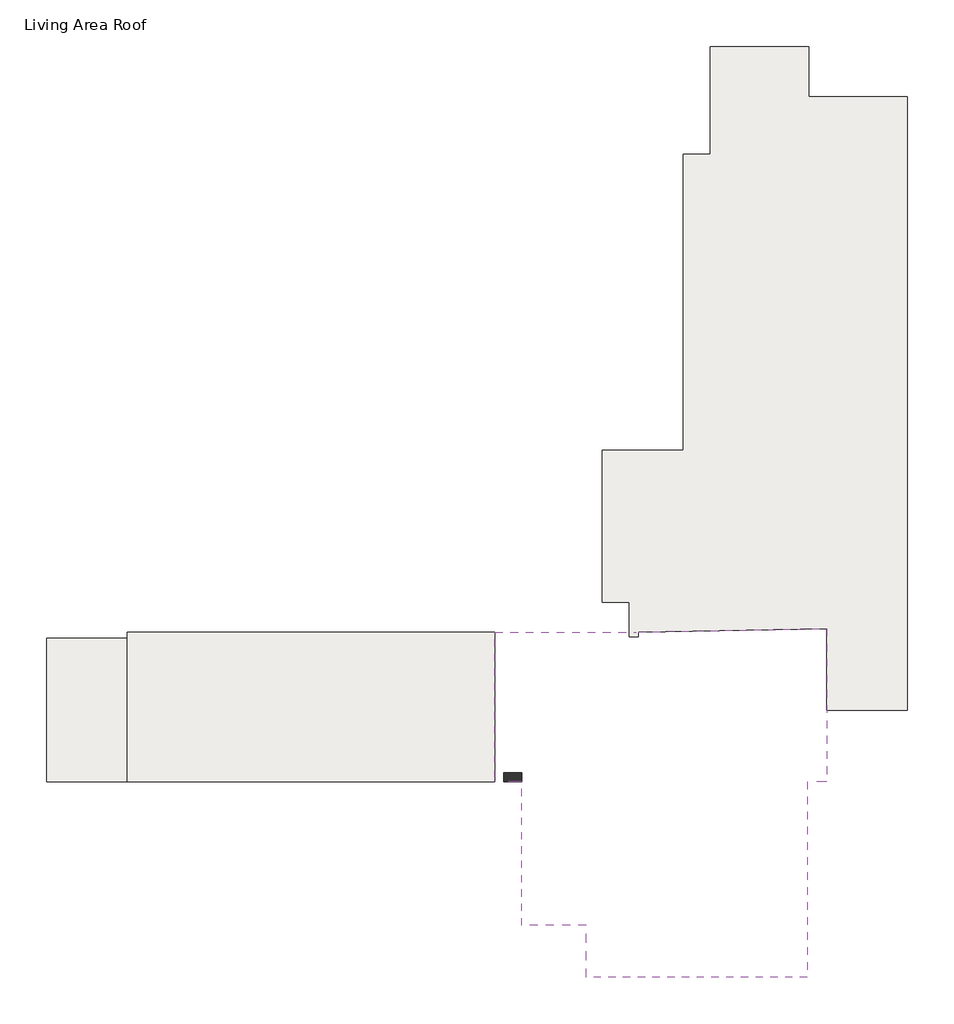
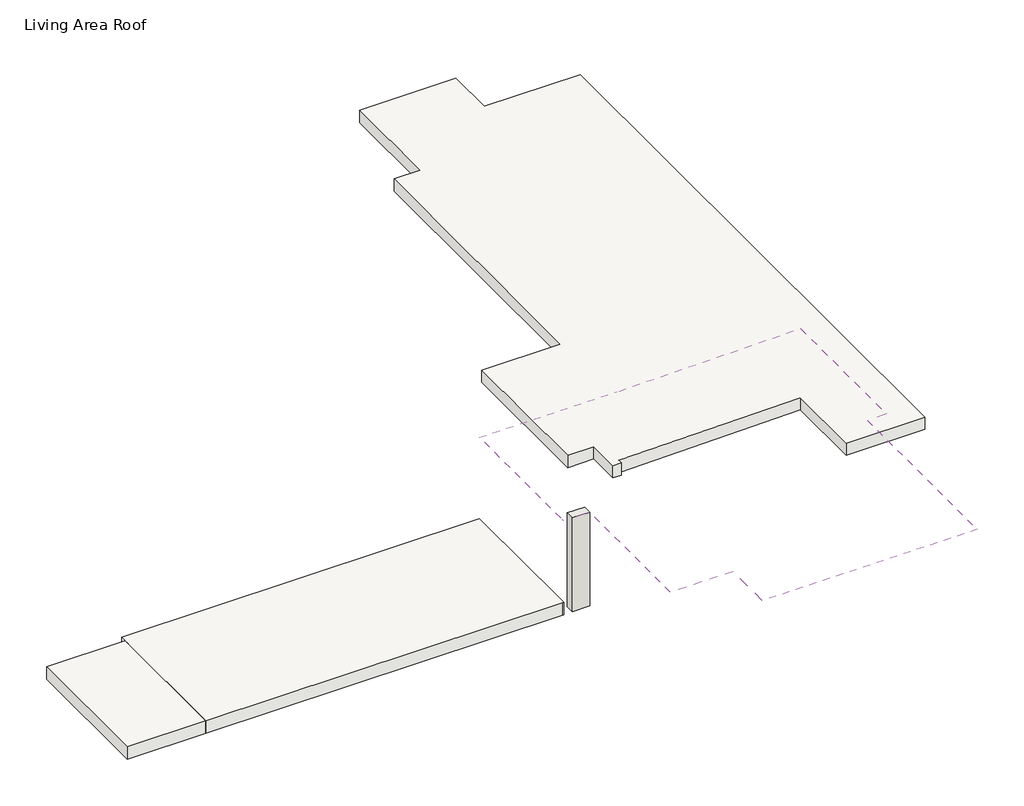
# One storey: 3 roofs, 1 slab, 1 wall.
"""IFC4 building model written with IfcOpenShell, lengths in millimetres."""

from ifc_helpers import new_model, si_unit, frame, origin, place, context, project, spatial, polyline, outline, extrude, faceted_brep, element, save

model = new_model("IFC4")

# Units and contexts
model_context = context("Model", 3, world=origin())
ifc_project = project(units=[si_unit("LENGTHUNIT", "METRE", prefix="MILLI")], contexts=[model_context])

# Site, building, storey
site = spatial("IfcSite", under=ifc_project)
building = spatial("IfcBuilding", under=site)
storey = spatial("IfcBuildingStorey", under=building, Name="Living Area Roof", Elevation=2616.2)

# Roofs
placement = place(None, origin())
element("IfcRoof", 1, ObjectType="Generic - 12\" (0.30 m)", at=placement, inside=storey, context=model_context, shape_type="SweptSolid", body=[
    extrude(outline(polyline([(-522.8680378, -2118.261673), (-522.8680378, -5104.661673), (-522.8680378, -5307.861673), (-554.0680378, -5307.861673), (-8854.0680378, -5307.861673), (-8854.0680378, -2118.261673), (-8854.0680378, -1915.061673), (-522.8680378, -1915.061673), (-522.8680378, -2118.261673)])), frame((0.0, 0.0, 2316.2), z_axis=(0.0, 0.0, 1.0), x_axis=(1.0, 0.0, 0.0)), (0.0, 0.0, 1.0), 304.8),
])
element("IfcRoof", 2, ObjectType="Generic - 12\" (0.30 m)", at=placement, inside=storey, context=model_context, shape_type="SweptSolid", body=[
    extrude(outline(polyline([(2726.4784579, -1915.061673), (6995.5319622, -1837.1741979), (6995.5319622, -5307.861673), (6552.6194622, -5307.861673), (6552.6194622, -9741.749173), (1545.6444622, -9741.749173), (1545.6444622, -8559.061673), (86.7319622, -8559.061673), (86.7319622, -5307.861673), (-522.8680378, -5307.861673), (-522.8680378, -5206.261673), (-522.8680378, -1915.061673), (2626.7319622, -1915.061673), (2726.4784579, -1915.061673)])), frame((0.0, 0.0, 4622.8), z_axis=(0.0, 0.0, 1.0), x_axis=(1.0, 0.0, 0.0)), (0.0, 0.0, 1.0), 304.8),
])
element("IfcRoof", 3, ObjectType="Generic - 12\" (0.30 m)", at=placement, inside=storey, context=model_context, shape_type="SweptSolid", body=[
    extrude(outline(polyline([(3744.3319622, 2210.538327), (3744.3319622, 8916.138327), (4353.9319622, 8916.138327), (4353.9319622, 11354.538327), (6589.1319622, 11354.538327), (6589.1319622, 10211.538327), (8824.3319622, 10211.538327), (8824.3319622, -3682.261673), (6995.5319622, -3682.261673), (6995.5319622, -1837.1741979), (2724.625262, -1915.095484), (2724.625262, -2015.095484), (2525.1319622, -2015.095484), (2525.1319622, -1243.861673), (1915.5319622, -1243.861673), (1915.5319622, 2210.538327), (3744.3319622, 2210.538327)])), frame((0.0, 0.0, 2616.2), z_axis=(0.0, 0.0, 1.0), x_axis=(1.0, 0.0, 0.0)), (0.0, 0.0, 1.0), 304.8),
])

# Slab
element("IfcSlab", 4, ObjectType="Generic - 12\"", at=placement, inside=storey, context=model_context, shape_type="SweptSolid", body=[
    extrude(outline(polyline([(-8854.0680378, -2056.661673), (-8854.0680378, -5307.861673), (-10682.8680378, -5307.861673), (-10682.8680378, -2056.661673), (-8854.0680378, -2056.661673)])), frame((0.0, 0.0, 2311.4), z_axis=(0.0, 0.0, 1.0), x_axis=(1.0, 0.0, 0.0)), (0.0, 0.0, 1.0), 304.8),
])

# Wall
element("IfcWall", 5, ObjectType="Generic - 8\"", at=placement, inside=storey, context=model_context, shape_type="Brep", body=[
    faceted_brep([(86.7319622, -5104.661673, 2316.2), (-319.6680378, -5104.661673, 2316.2), (-319.6680378, -5104.661673, 4622.8), (86.7319622, -5104.661673, 4622.8), (86.7319622, -5104.661673, 4617.7825962), (86.7319622, -5307.861673, 2316.2), (86.7319622, -5307.861673, 4622.8), (-319.6680378, -5307.861673, 4622.8), (-319.6680378, -5307.861673, 2316.2)], [[[0, 1, 2, 3, 4]], [[5, 6, 7, 8]], [[1, 0, 5, 8]], [[3, 2, 7, 6]], [[2, 1, 8, 7]], [[0, 4, 3, 6, 5]]]),
])

save(model, "model.ifc")
